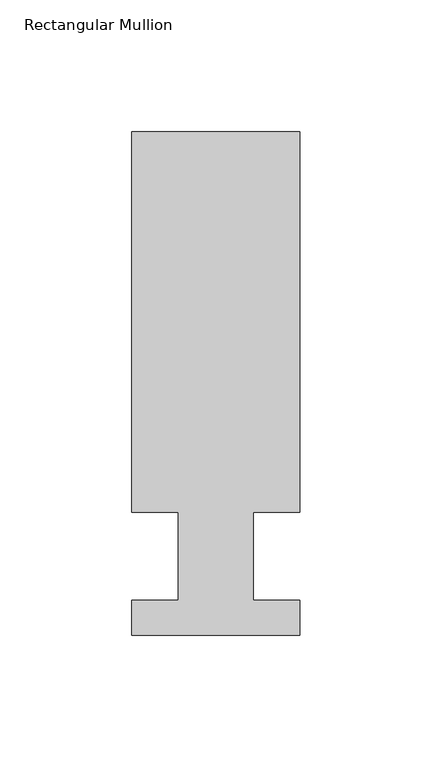
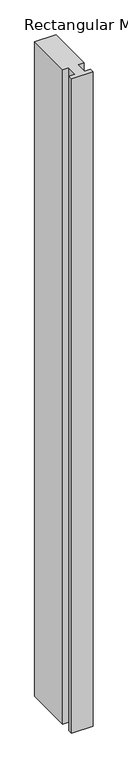
"""IFC4 building model written with IfcOpenShell, lengths in millimetres: member geometry, Rectangular Mullion."""

from ifc_helpers import new_model, si_unit, frame, origin, place, context, project, spatial, polyline, outline, extrude, source, transform, mapped, element, save


def rectangular_mullion_78d15d50(model_context):
    return source(origin(), model_context, "Body", "SweptSolid", [
        extrude(outline(polyline([(-31.7500007, 190.7881313), (31.7499998, 190.7881313), (31.7499998, 46.7447312), (14.2748003, 46.7447312), (14.2748003, 13.3945312), (31.7499998, 13.3945312), (31.7499998, 0.2119312), (-31.7500002, 0.2119312), (-31.7500002, 13.3945312), (-14.2748007, 13.3945312), (-14.2748007, 46.7447312), (-31.7500007, 46.7447312), (-31.7500007, 190.7881313)])), frame((0.0, 0.0, -2057.4), z_axis=(0.0, 0.0, 1.0), x_axis=(1.0, 0.0, 0.0)), (0.0, 0.0, 1.0), 2057.4),
    ])


if __name__ == "__main__":
    model = new_model("IFC4")
    model_context = context("Model", 3, world=origin())
    ifc_project = project(units=[si_unit("LENGTHUNIT", "METRE", prefix="MILLI")], contexts=[model_context])
    site = spatial("IfcSite", under=ifc_project)
    building = spatial("IfcBuilding", under=site)
    placement = place(None, origin())
    rectangular_mullion_shape = rectangular_mullion_78d15d50(model_context)
    element("IfcMember", 1, ObjectType="Rectangular Mullion", at=placement, inside=building, context=model_context, shape_type="MappedRepresentation", body=[
        mapped(rectangular_mullion_shape, transform((0.0, 0.0, 0.0), x_axis=(1.0, 0.0, 0.0), y_axis=(0.0, 1.0, 0.0), z_axis=(0.0, 0.0, 1.0))),
    ])
    save(model, "model.ifc")
